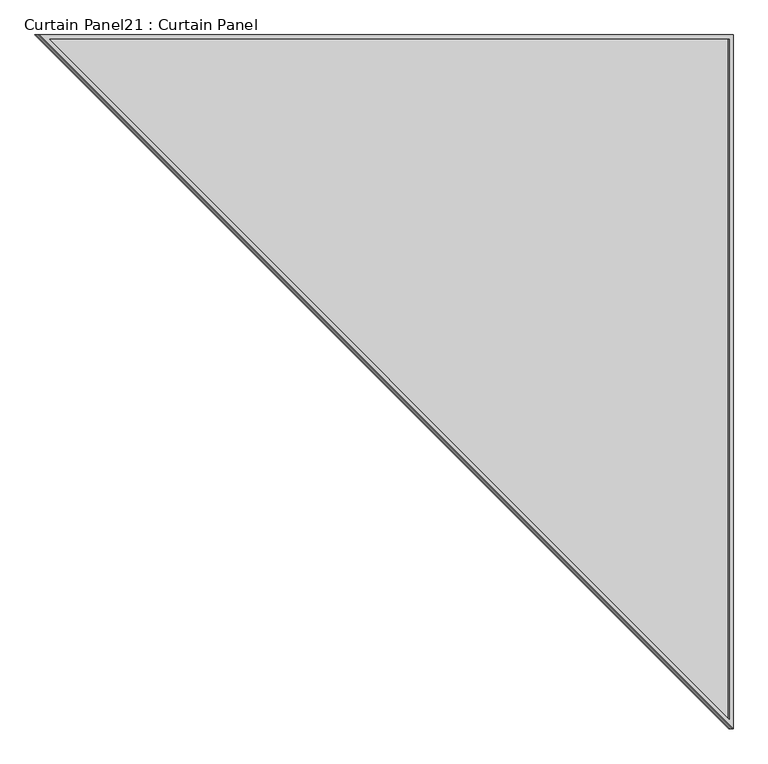
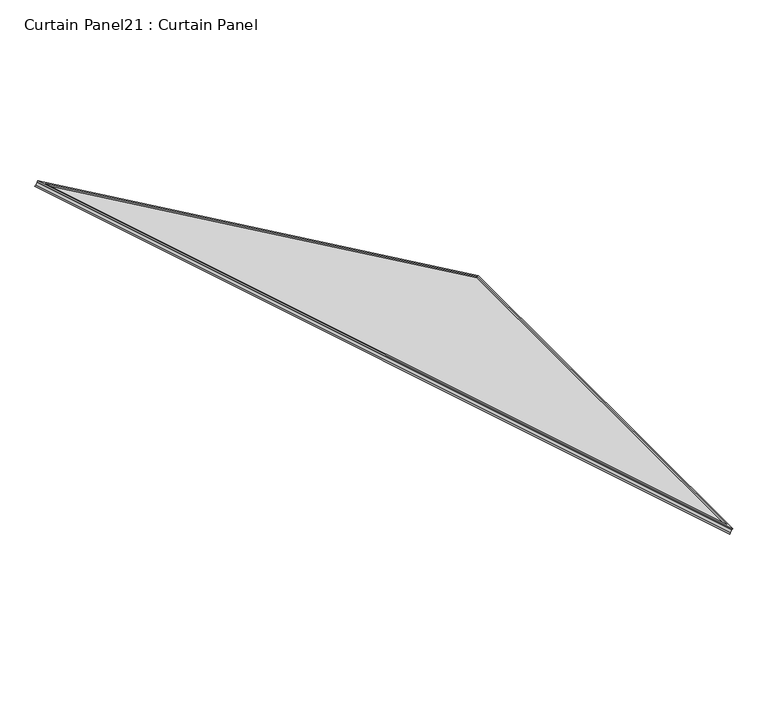
"""IFC4 building model written with IfcOpenShell, lengths in millimetres: plate geometry, Curtain Panel21 : Curtain Panel."""

from ifc_helpers import new_model, si_unit, frame, origin, place, context, project, spatial, polyline, outline, extrude, source, transform, mapped, element, save


def curtain_panel21_curtain_panel_9ea0f2e1(model_context):
    return source(origin(), model_context, "Body", "SweptSolid", [
        extrude(outline(polyline([(2031.5452468, 0.0), (2031.5452468, -1759.3697927), (0.0, 0.0), (2031.5452468, 0.0)]), holes=[polyline([(2020.4200468, -11.1252), (29.8402981, -11.1252), (2020.4200468, -1735.0178306), (2020.4200468, -11.1252)])]), frame((15411.8205994, 10728.4279755, 988.875356), z_axis=(0.5000000000000017, 0.0, 0.8660254037844377), x_axis=(0.8660254037844377, 0.0, -0.5000000000000017)), (0.0, 0.0, 1.0), 4.8617188),
        extrude(outline(polyline([(2031.5452468, 0.0), (2031.5452468, -1759.3697927), (0.0, 0.0), (2031.5452468, 0.0)]), holes=[polyline([(2020.4200468, -11.1252), (29.8402981, -11.1252), (2020.4200468, -1735.0178306), (2020.4200468, -11.1252)])]), frame((15420.6392726, 10728.4279755, 1004.149746), z_axis=(0.5000000000000016, 0.0, 0.8660254037844378), x_axis=(0.8660254037844378, 0.0, -0.5000000000000016)), (0.0, 0.0, 1.0), 4.8617188),
        extrude(outline(polyline([(12.7, 0.0), (1772.0697927, 0.0), (12.7, -2031.5452468), (12.7, 0.0)])), frame((17173.6051112, 10741.1279755, -22.7148512), z_axis=(0.49999999999999867, 0.0, 0.8660254037844395), x_axis=(0.0, -1.0, 0.0)), (0.0, 0.0, 1.0), 12.7985065),
    ])


if __name__ == "__main__":
    model = new_model("IFC4")
    model_context = context("Model", 3, world=origin())
    ifc_project = project(units=[si_unit("LENGTHUNIT", "METRE", prefix="MILLI")], contexts=[model_context])
    site = spatial("IfcSite", under=ifc_project)
    building = spatial("IfcBuilding", under=site)
    placement = place(None, origin())
    curtain_panel21_curtain_panel_shape = curtain_panel21_curtain_panel_9ea0f2e1(model_context)
    element("IfcPlate", 1, ObjectType="Curtain Panel21 : Curtain Panel", at=placement, inside=building, context=model_context, shape_type="MappedRepresentation", body=[
        mapped(curtain_panel21_curtain_panel_shape, transform((0.0, 0.0, 0.0), x_axis=(1.0, 0.0, 0.0), y_axis=(0.0, 1.0, 0.0), z_axis=(0.0, 0.0, 1.0))),
    ])
    save(model, "model.ifc")
